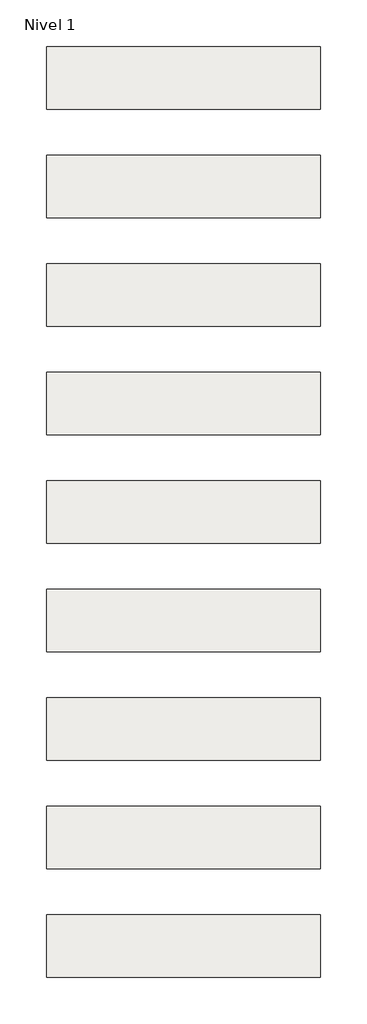
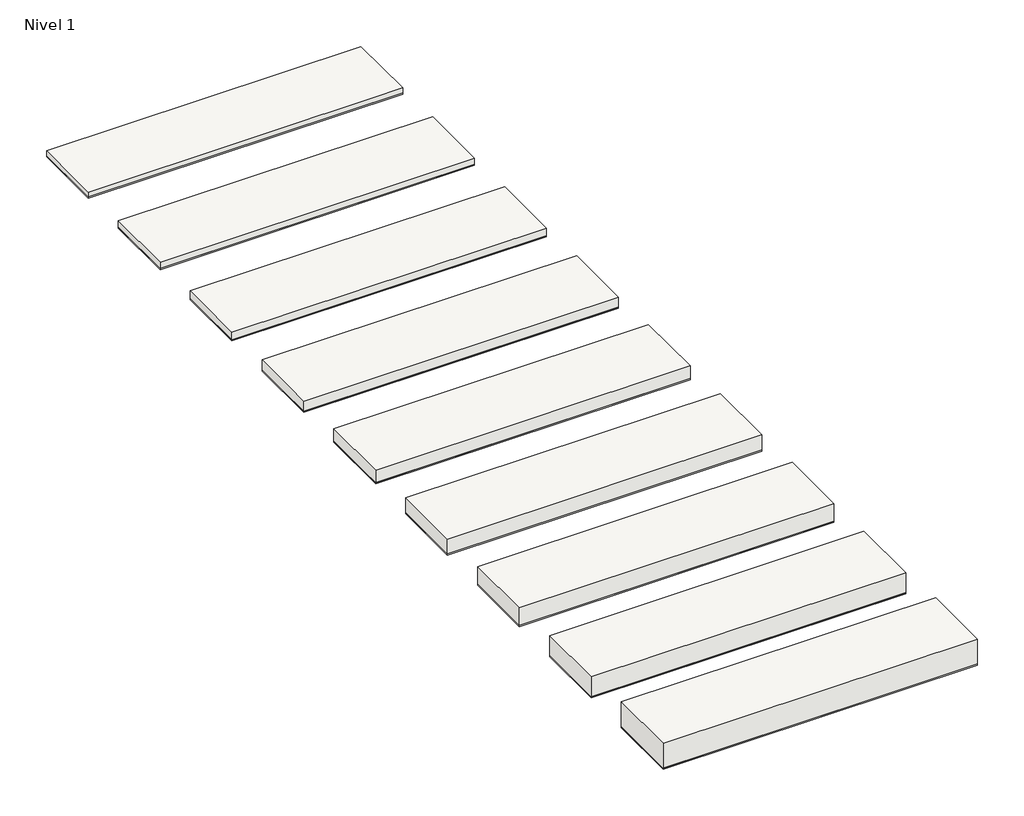
# One storey: 9 roofs.
"""IFC4 building model written with IfcOpenShell, lengths in millimetres."""

from ifc_helpers import new_model, si_unit, frame, origin, origin_with_axes, place, context, project, spatial, polyline, outline, extrude, element, save

model = new_model("IFC4")

# Units and contexts
model_context = context("Model", 3, world=origin())
ifc_project = project(units=[si_unit("LENGTHUNIT", "METRE", prefix="MILLI")], contexts=[model_context])

# Site, building, storey
site = spatial("IfcSite", under=ifc_project)
building = spatial("IfcBuilding", under=site)
storey = spatial("IfcBuildingStorey", under=building, Name="Nivel 1", Elevation=0.0)

# Roofs
placement = place(None, origin())
element("IfcRoof", 1, at=placement, inside=storey, context=model_context, shape_type="SweptSolid", body=[
    extrude(outline(polyline([(-3824.6699095, -6894.5376473), (-1424.6699095, -6894.5376473), (-1424.6699095, -7444.5376473), (-3824.6699095, -7444.5376473), (-3824.6699095, -6894.5376473)])), frame((0.0, 0.0, 10.0), z_axis=(0.0, 0.0, 1.0), x_axis=(1.0, 0.0, 0.0)), (0.0, 0.0, 1.0), 50.0),
    extrude(outline(polyline([(-3824.6699095, -6894.5376473), (-1424.6699095, -6894.5376473), (-1424.6699095, -7444.5376473), (-3824.6699095, -7444.5376473), (-3824.6699095, -6894.5376473)])), origin_with_axes(), (0.0, 0.0, 1.0), 10.0),
])
element("IfcRoof", 2, at=placement, inside=storey, context=model_context, shape_type="SweptSolid", body=[
    extrude(outline(polyline([(-3824.6699095, -5944.5376473), (-1424.6699095, -5944.5376473), (-1424.6699095, -6494.5376473), (-3824.6699095, -6494.5376473), (-3824.6699095, -5944.5376473)])), frame((0.0, 0.0, 10.0), z_axis=(0.0, 0.0, 1.0), x_axis=(1.0, 0.0, 0.0)), (0.0, 0.0, 1.0), 40.0),
    extrude(outline(polyline([(-3824.6699095, -5944.5376473), (-1424.6699095, -5944.5376473), (-1424.6699095, -6494.5376473), (-3824.6699095, -6494.5376473), (-3824.6699095, -5944.5376473)])), origin_with_axes(), (0.0, 0.0, 1.0), 10.0),
])
element("IfcRoof", 3, at=placement, inside=storey, context=model_context, shape_type="SweptSolid", body=[
    extrude(outline(polyline([(-3824.6699095, -7844.5376473), (-1424.6699095, -7844.5376473), (-1424.6699095, -8394.5376473), (-3824.6699095, -8394.5376473), (-3824.6699095, -7844.5376473)])), frame((0.0, 0.0, 10.0), z_axis=(0.0, 0.0, 1.0), x_axis=(1.0, 0.0, 0.0)), (0.0, 0.0, 1.0), 60.0),
    extrude(outline(polyline([(-3824.6699095, -7844.5376473), (-1424.6699095, -7844.5376473), (-1424.6699095, -8394.5376473), (-3824.6699095, -8394.5376473), (-3824.6699095, -7844.5376473)])), origin_with_axes(), (0.0, 0.0, 1.0), 10.0),
])
element("IfcRoof", 4, at=placement, inside=storey, context=model_context, shape_type="SweptSolid", body=[
    extrude(outline(polyline([(-3824.6699095, -8794.5376473), (-1424.6699095, -8794.5376473), (-1424.6699095, -9344.5376473), (-3824.6699095, -9344.5376473), (-3824.6699095, -8794.5376473)])), frame((0.0, 0.0, 10.0), z_axis=(0.0, 0.0, 1.0), x_axis=(1.0, 0.0, 0.0)), (0.0, 0.0, 1.0), 80.0),
    extrude(outline(polyline([(-3824.6699095, -8794.5376473), (-1424.6699095, -8794.5376473), (-1424.6699095, -9344.5376473), (-3824.6699095, -9344.5376473), (-3824.6699095, -8794.5376473)])), origin_with_axes(), (0.0, 0.0, 1.0), 10.0),
])
element("IfcRoof", 5, at=placement, inside=storey, context=model_context, shape_type="SweptSolid", body=[
    extrude(outline(polyline([(-3824.6699095, -9744.5376473), (-1424.6699095, -9744.5376473), (-1424.6699095, -10294.5376473), (-3824.6699095, -10294.5376473), (-3824.6699095, -9744.5376473)])), frame((0.0, 0.0, 10.0), z_axis=(0.0, 0.0, 1.0), x_axis=(1.0, 0.0, 0.0)), (0.0, 0.0, 1.0), 100.0),
    extrude(outline(polyline([(-3824.6699095, -9744.5376473), (-1424.6699095, -9744.5376473), (-1424.6699095, -10294.5376473), (-3824.6699095, -10294.5376473), (-3824.6699095, -9744.5376473)])), origin_with_axes(), (0.0, 0.0, 1.0), 10.0),
])
element("IfcRoof", 6, at=placement, inside=storey, context=model_context, shape_type="SweptSolid", body=[
    extrude(outline(polyline([(-3824.6699095, -10694.5376473), (-1424.6699095, -10694.5376473), (-1424.6699095, -11244.5376473), (-3824.6699095, -11244.5376473), (-3824.6699095, -10694.5376473)])), frame((0.0, 0.0, 10.0), z_axis=(0.0, 0.0, 1.0), x_axis=(1.0, 0.0, 0.0)), (0.0, 0.0, 1.0), 120.0),
    extrude(outline(polyline([(-3824.6699095, -10694.5376473), (-1424.6699095, -10694.5376473), (-1424.6699095, -11244.5376473), (-3824.6699095, -11244.5376473), (-3824.6699095, -10694.5376473)])), origin_with_axes(), (0.0, 0.0, 1.0), 10.0),
])
element("IfcRoof", 7, at=placement, inside=storey, context=model_context, shape_type="SweptSolid", body=[
    extrude(outline(polyline([(-3824.6699095, -11644.5376473), (-1424.6699095, -11644.5376473), (-1424.6699095, -12194.5376473), (-3824.6699095, -12194.5376473), (-3824.6699095, -11644.5376473)])), frame((0.0, 0.0, 10.0), z_axis=(0.0, 0.0, 1.0), x_axis=(1.0, 0.0, 0.0)), (0.0, 0.0, 1.0), 140.0),
    extrude(outline(polyline([(-3824.6699095, -11644.5376473), (-1424.6699095, -11644.5376473), (-1424.6699095, -12194.5376473), (-3824.6699095, -12194.5376473), (-3824.6699095, -11644.5376473)])), origin_with_axes(), (0.0, 0.0, 1.0), 10.0),
])
element("IfcRoof", 8, at=placement, inside=storey, context=model_context, shape_type="SweptSolid", body=[
    extrude(outline(polyline([(-3824.6699095, -12594.5376473), (-1424.6699095, -12594.5376473), (-1424.6699095, -13144.5376473), (-3824.6699095, -13144.5376473), (-3824.6699095, -12594.5376473)])), frame((0.0, 0.0, 10.0), z_axis=(0.0, 0.0, 1.0), x_axis=(1.0, 0.0, 0.0)), (0.0, 0.0, 1.0), 160.0),
    extrude(outline(polyline([(-3824.6699095, -12594.5376473), (-1424.6699095, -12594.5376473), (-1424.6699095, -13144.5376473), (-3824.6699095, -13144.5376473), (-3824.6699095, -12594.5376473)])), origin_with_axes(), (0.0, 0.0, 1.0), 10.0),
])
element("IfcRoof", 9, at=placement, inside=storey, context=model_context, shape_type="SweptSolid", body=[
    extrude(outline(polyline([(-3824.6699095, -13544.5376473), (-1424.6699095, -13544.5376473), (-1424.6699095, -14094.5376473), (-3824.6699095, -14094.5376473), (-3824.6699095, -13544.5376473)])), frame((0.0, 0.0, 10.0), z_axis=(0.0, 0.0, 1.0), x_axis=(1.0, 0.0, 0.0)), (0.0, 0.0, 1.0), 200.0),
    extrude(outline(polyline([(-3824.6699095, -13544.5376473), (-1424.6699095, -13544.5376473), (-1424.6699095, -14094.5376473), (-3824.6699095, -14094.5376473), (-3824.6699095, -13544.5376473)])), origin_with_axes(), (0.0, 0.0, 1.0), 10.0),
])

save(model, "model.ifc")
